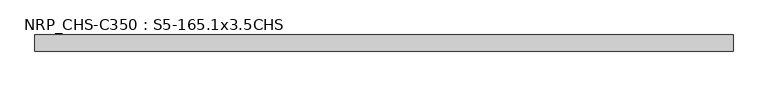
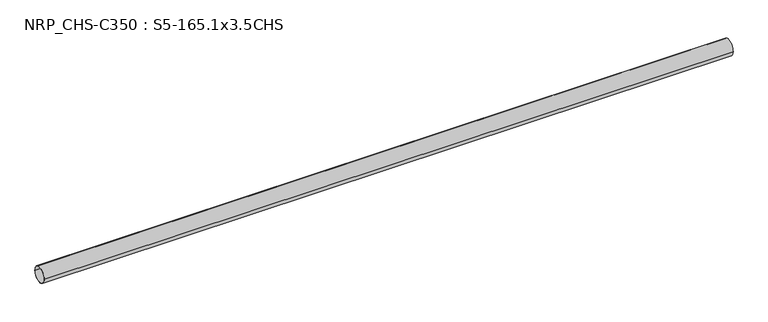
"""IFC4 building model written with IfcOpenShell, lengths in millimetres: beam geometry, NRP_CHS-C350 : S5-165.1x3.5CHS."""

from ifc_helpers import new_model, si_unit, point, frame, origin, origin_2d, place, context, project, spatial, circle_curve, trimmed, segment, composite_curve, outline, extrude, source, transform, mapped, element, save


def nrp_chs_c350_s5_165_1x3_5chs_30792013(model_context):
    return source(origin(), model_context, "Body", "SweptSolid", [
        extrude(outline(composite_curve([segment(trimmed(circle_curve(origin_2d(), 82.55), [point((82.55, 0.0))], [point((-82.55, 0.0))], False, "CARTESIAN"), True, "CONTINUOUS"), segment(trimmed(circle_curve(origin_2d(), 82.55), [point((-82.55, 0.0))], [point((82.55, 0.0))], False, "CARTESIAN"), True, "CONTINUOUS")], self_intersect=False), holes=[composite_curve([segment(trimmed(circle_curve(origin_2d(), 79.05), [point((-79.05, 0.0))], [point((79.05, 0.0))], True, "CARTESIAN"), True, "CONTINUOUS"), segment(trimmed(circle_curve(origin_2d(), 79.05), [point((79.05, 0.0))], [point((-79.05, 0.0))], True, "CARTESIAN"), True, "CONTINUOUS")], self_intersect=False)]), frame((-3548.15, 0.0, 0.0), z_axis=(1.0, 0.0, 0.0), x_axis=(0.0, 1.0, 0.0)), (0.0, 0.0, 1.0), 7142.7),
    ])


if __name__ == "__main__":
    model = new_model("IFC4")
    model_context = context("Model", 3, world=origin())
    ifc_project = project(units=[si_unit("LENGTHUNIT", "METRE", prefix="MILLI")], contexts=[model_context])
    site = spatial("IfcSite", under=ifc_project)
    building = spatial("IfcBuilding", under=site)
    placement = place(None, origin())
    nrp_chs_c350_s5_165_1x3_5chs_shape = nrp_chs_c350_s5_165_1x3_5chs_30792013(model_context)
    element("IfcBeam", 1, ObjectType="NRP_CHS-C350 : S5-165.1x3.5CHS", at=placement, inside=building, context=model_context, shape_type="MappedRepresentation", body=[
        mapped(nrp_chs_c350_s5_165_1x3_5chs_shape, transform((0.0, 0.0, 0.0), x_axis=(1.0, 0.0, 0.0), y_axis=(0.0, 1.0, 0.0), z_axis=(0.0, 0.0, 1.0))),
    ])
    save(model, "model.ifc")
